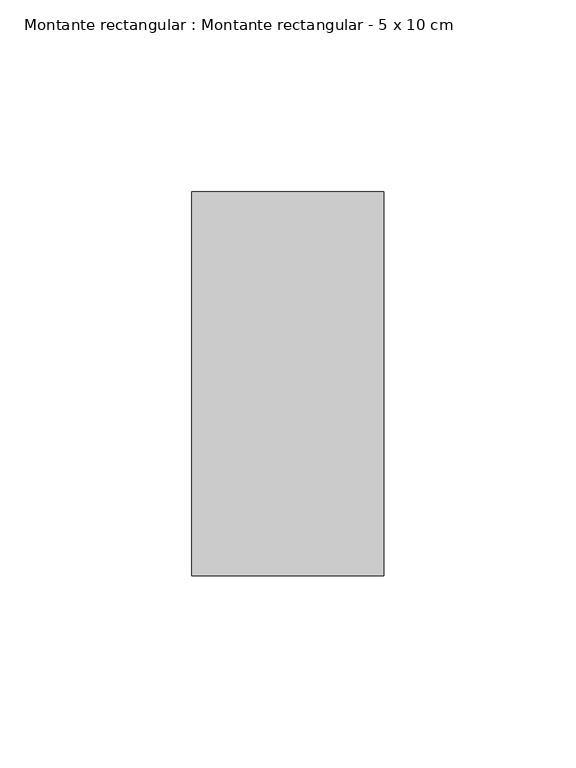
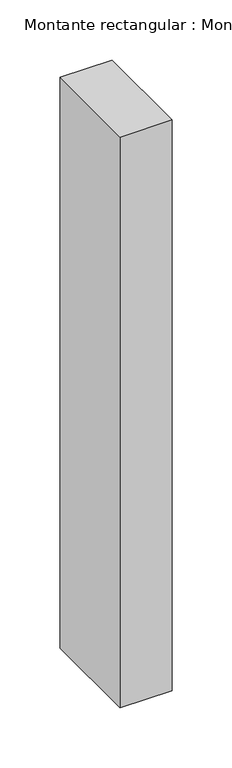
"""IFC4 building model written with IfcOpenShell, lengths in millimetres: member geometry, Montante rectangular : Montante rectangular - 5 x 10 cm."""

import ifcopenshell
import ifcopenshell.guid

model = None  # the IFC model being written
_history = None  # IfcOwnerHistory: only IFC2X3 demands one
_inside = {}  # id of a spatial element -> (the spatial element, [elements in it])
_under = {}  # id of a project, library or spatial element -> (it, [spatial elements below it])
_declared = {}  # id of a project -> (the project, [libraries it declares])
_typed = {}  # id of a type object -> (the type object, [elements of that type])
_made_of = {}  # id of a material, layer set ... -> (it, [elements and type objects made of it])


def new_model(schema):
    """Start an empty IFC model of exactly this schema.

    Asked for "IFC4X3", IfcOpenShell would pick the latest addendum, in which some entities
    have other attributes; the version numbers below select the first issue.
    IFC2X3 requires an IfcOwnerHistory on every rooted entity: one is made here for all.
    """
    global model, _history
    if schema == "IFC4X3":
        model = ifcopenshell.file(schema_version=(4, 3, 0, 0))
    else:
        model = ifcopenshell.file(schema=schema)
    _inside.clear()
    _under.clear()
    _declared.clear()
    _typed.clear()
    _made_of.clear()
    _history = None
    if model.schema == "IFC2X3":
        org = make("IfcOrganization", Name="unknown")
        user = make(
            "IfcPersonAndOrganization",
            ThePerson=make("IfcPerson", FamilyName="unknown"),
            TheOrganization=org,
        )
        app = make(
            "IfcApplication",
            ApplicationDeveloper=org,
            Version="unknown",
            ApplicationFullName="unknown",
            ApplicationIdentifier="unknown",
        )
        _history = make(
            "IfcOwnerHistory",
            OwningUser=user,
            OwningApplication=app,
            ChangeAction="ADDED",
            CreationDate=0,
        )
    return model


def make(cls, **values):
    """One entity of the class cls with the attributes given. An attribute that is None is left unset."""
    return model.create_entity(
        cls, **{name: value for name, value in values.items() if value is not None}
    )


def rooted(cls, **values):
    """An entity with a GlobalId (a new one), such as an element, a storey or a relation."""
    return make(cls, GlobalId=ifcopenshell.guid.new(), OwnerHistory=_history, **values)


def si_unit(unit_type, name, prefix=None):
    """IfcSIUnit, for example si_unit("LENGTHUNIT", "METRE", prefix="MILLI")."""
    return make("IfcSIUnit", UnitType=unit_type, Prefix=prefix, Name=name)


def assignment(units):
    """IfcUnitAssignment: the units of a project."""
    return None if units is None else make("IfcUnitAssignment", Units=units)


def point(xyz):
    """IfcCartesianPoint."""
    return None if xyz is None else make("IfcCartesianPoint", Coordinates=xyz)


def direction(xyz):
    """IfcDirection."""
    return None if xyz is None else make("IfcDirection", DirectionRatios=xyz)


def frame(location, z_axis=None, x_axis=None):
    """IfcAxis2Placement3D, a coordinate frame: its origin and axes. An axis left out is left unset."""
    return make(
        "IfcAxis2Placement3D",
        Location=point(location),
        Axis=direction(z_axis),
        RefDirection=direction(x_axis),
    )


def origin():
    """The frame at (0, 0, 0) with its axes left unset."""
    return frame((0.0, 0.0, 0.0))


def place(relative_to, where):
    """IfcLocalPlacement: puts the frame where relative to a parent placement (None: the world)."""
    return make(
        "IfcLocalPlacement", PlacementRelTo=relative_to, RelativePlacement=where
    )


def context(
    kind, dimensions, precision=None, world=None, true_north=None, identifier=None
):
    """IfcGeometricRepresentationContext, for example the 3D "Model" context."""
    return make(
        "IfcGeometricRepresentationContext",
        ContextIdentifier=identifier,
        ContextType=kind,
        CoordinateSpaceDimension=dimensions,
        Precision=precision,
        WorldCoordinateSystem=world,
        TrueNorth=true_north,
    )


def project(units=None, contexts=None):
    """IfcProject with its units and contexts."""
    return rooted(
        "IfcProject",
        Name="project",
        RepresentationContexts=contexts,
        UnitsInContext=assignment(units),
    )


def spatial(cls, under=None, at=None, **own):
    """A site, building, storey or space (cls), placed at a placement, below another one or the project."""
    s = rooted(cls, ObjectPlacement=at, **own)
    if under is not None:
        _under.setdefault(under.id(), (under, []))[1].append(s)
    return s


def polyline(points):
    """IfcPolyline through the points."""
    return make("IfcPolyline", Points=[point(p) for p in points])


def outline(outer, holes=None, kind="AREA"):
    """IfcArbitraryClosedProfileDef: a profile drawn as a closed curve; with holes, ...WithVoids."""
    if holes is None:
        return make("IfcArbitraryClosedProfileDef", ProfileType=kind, OuterCurve=outer)
    return make(
        "IfcArbitraryProfileDefWithVoids",
        ProfileType=kind,
        OuterCurve=outer,
        InnerCurves=holes,
    )


def extrude(swept, where, along, depth):
    """IfcExtrudedAreaSolid: the profile swept, set in the frame where, extruded along a direction by depth."""
    return make(
        "IfcExtrudedAreaSolid",
        SweptArea=swept,
        Position=where,
        ExtrudedDirection=direction(along),
        Depth=depth,
    )


def shape(context_of_items, identifier, shape_type, items):
    """IfcShapeRepresentation: the items that make up one representation, for example the "Body"."""
    return make(
        "IfcShapeRepresentation",
        ContextOfItems=context_of_items,
        RepresentationIdentifier=identifier,
        RepresentationType=shape_type,
        Items=items,
    )


def source(mapping_origin, context_of_items, identifier, shape_type, items):
    """IfcRepresentationMap: a shape defined once, which mapped items show again and again."""
    return make(
        "IfcRepresentationMap",
        MappingOrigin=mapping_origin,
        MappedRepresentation=shape(context_of_items, identifier, shape_type, items),
    )


def transform(
    local_origin,
    x_axis=None,
    y_axis=None,
    z_axis=None,
    scale=None,
    scale2=None,
    scale3=None,
    uniform=True,
):
    """IfcCartesianTransformationOperator3D, or its non-uniform kind. x_axis, y_axis, z_axis: its Axis1, 2, 3."""
    if uniform:
        return make(
            "IfcCartesianTransformationOperator3D",
            Axis1=direction(x_axis),
            Axis2=direction(y_axis),
            LocalOrigin=point(local_origin),
            Scale=scale,
            Axis3=direction(z_axis),
        )
    return make(
        "IfcCartesianTransformationOperator3DnonUniform",
        Axis1=direction(x_axis),
        Axis2=direction(y_axis),
        LocalOrigin=point(local_origin),
        Scale=scale,
        Axis3=direction(z_axis),
        Scale2=scale2,
        Scale3=scale3,
    )


def mapped(mapping_source, mapping_target):
    """IfcMappedItem: shows the shape of a source again, moved by a transform."""
    return make(
        "IfcMappedItem", MappingSource=mapping_source, MappingTarget=mapping_target
    )


def made_of(thing, what):
    """Note that an element or type object is made of a material, layer set ...; save() writes the relation."""
    if what is not None:
        _made_of.setdefault(what.id(), (what, []))[1].append(thing)
    return thing


def element(
    cls,
    number,
    at=None,
    inside=None,
    cuts=None,
    type_object=None,
    material=None,
    context=None,
    identifier="Body",
    shape_type=None,
    held_by="IfcProductDefinitionShape",
    body=None,
    shapes=None,
    **own,
):
    """One element of the class cls, such as IfcWall. Its Tag is "e" and its number.

    at: its placement. inside: the storey or other place that contains it. cuts: it is an
    opening in that element (IfcRelVoidsElement). A single representation is given by context,
    identifier, shape_type and body (its items); several are given by shapes. held_by: the class
    of the entity that holds the representations. save() writes the other relations.
    """
    e = rooted(cls, Tag="e%d" % number, ObjectPlacement=at, **own)
    if body is not None:
        shapes = [shape(context, identifier, shape_type, body)]
    if shapes is not None:
        e.Representation = make(held_by, Representations=shapes)
    if inside is not None:
        _inside.setdefault(inside.id(), (inside, []))[1].append(e)
    if cuts is not None:
        rooted(
            "IfcRelVoidsElement", RelatingBuildingElement=cuts, RelatedOpeningElement=e
        )
    if type_object is not None:
        _typed.setdefault(type_object.id(), (type_object, []))[1].append(e)
    return made_of(e, material)


def aggregate(whole, parts):
    """IfcRelAggregates: a whole, such as a stair, and the parts it consists of."""
    return rooted("IfcRelAggregates", RelatingObject=whole, RelatedObjects=parts)


def save(model, path):
    """Write the relations noted so far, then the file.

    IfcRelAggregates (storeys below a building ...), IfcRelContainedInSpatialStructure (elements
    in a storey), IfcRelDefinesByType, IfcRelAssociatesMaterial and IfcRelDeclares: one each for
    every whole, place, type object, material and project.
    """
    for whole, parts in _under.values():
        aggregate(whole, parts)
    for where, things in _inside.values():
        rooted(
            "IfcRelContainedInSpatialStructure",
            RelatedElements=things,
            RelatingStructure=where,
        )
    for kind, things in _typed.values():
        rooted("IfcRelDefinesByType", RelatedObjects=things, RelatingType=kind)
    for what, things in _made_of.values():
        rooted("IfcRelAssociatesMaterial", RelatedObjects=things, RelatingMaterial=what)
    for by, libraries in _declared.values():
        rooted("IfcRelDeclares", RelatingContext=by, RelatedDefinitions=libraries)
    model.write(path)


def montante_rectangular_montante_rectangular_5_x_10_cm_10b04ac8(model_context):
    return source(origin(), model_context, "Body", "SweptSolid", [
        extrude(outline(polyline([(-50.0, 50.0), (0.0, 50.0), (0.0, -50.0), (-50.0, -50.0), (-50.0, 50.0)])), frame((0.0, 0.0, -580.0), z_axis=(0.0, 0.0, 1.0), x_axis=(1.0, 0.0, 0.0)), (0.0, 0.0, 1.0), 580.0),
    ])


if __name__ == "__main__":
    model = new_model("IFC4")
    model_context = context("Model", 3, world=origin())
    ifc_project = project(units=[si_unit("LENGTHUNIT", "METRE", prefix="MILLI")], contexts=[model_context])
    site = spatial("IfcSite", under=ifc_project)
    building = spatial("IfcBuilding", under=site)
    placement = place(None, origin())
    montante_rectangular_montante_rectangular_5_x_10_cm_shape = montante_rectangular_montante_rectangular_5_x_10_cm_10b04ac8(model_context)
    element("IfcMember", 1, ObjectType="Montante rectangular : Montante rectangular - 5 x 10 cm", at=placement, inside=building, context=model_context, shape_type="MappedRepresentation", body=[
        mapped(montante_rectangular_montante_rectangular_5_x_10_cm_shape, transform((0.0, 0.0, 0.0), x_axis=(1.0, 0.0, 0.0), y_axis=(0.0, 1.0, 0.0), z_axis=(0.0, 0.0, 1.0))),
    ])
    save(model, "model.ifc")
